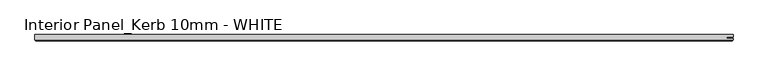
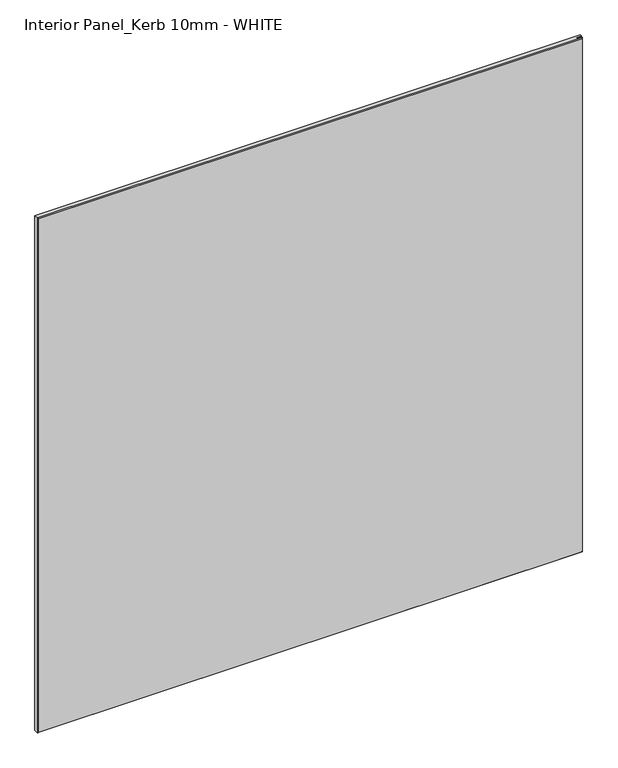
"""IFC4 building model written with IfcOpenShell, lengths in millimetres: proxy geometry, Interior Panel_Kerb 10mm - WHITE."""

from ifc_helpers import new_model, si_unit, origin, place, context, project, spatial, faceted_brep, source, transform, mapped, element, save


def interior_panel_kerb_10mm_white_acb78cb8(model_context):
    return source(origin(), model_context, "Body", "Brep", [
        faceted_brep([(993.775, 3.175, 1063.625), (-73.025, 3.175, 1063.625), (-73.025, -4.7625, 1063.625), (993.775, -4.7625, 1063.625), (993.775, -2.6543, 1063.625), (983.9523437, -2.6543, 1063.625), (983.9523437, -0.5207, 1063.625), (993.775, -0.5207, 1063.625), (993.775, 3.175, 0.0), (993.775, -0.5207, 0.0), (983.9523437, -0.5207, 0.0), (983.9523437, -2.6543, 0.0), (993.775, -2.6543, 0.0), (993.775, -4.7625, 0.0), (-73.025, -4.7625, 0.0), (-73.025, 3.175, 0.0), (-71.4375, -6.35, 1062.0375), (-71.4375, -6.35, 1.5875), (992.1875, -6.35, 1.5875), (992.1875, -6.35, 1062.0375)], [[[0, 1, 2, 3, 4, 5, 6, 7]], [[8, 9, 10, 11, 12, 13, 14, 15]], [[1, 0, 8, 15]], [[2, 1, 15, 14]], [[16, 17, 18, 19]], [[4, 3, 13, 12]], [[2, 14, 17, 16]], [[13, 3, 19, 18]], [[3, 2, 16, 19]], [[14, 13, 18, 17]], [[5, 4, 12, 11]], [[6, 5, 11, 10]], [[7, 6, 10, 9]], [[0, 7, 9, 8]]]),
    ])


if __name__ == "__main__":
    model = new_model("IFC4")
    model_context = context("Model", 3, world=origin())
    ifc_project = project(units=[si_unit("LENGTHUNIT", "METRE", prefix="MILLI")], contexts=[model_context])
    site = spatial("IfcSite", under=ifc_project)
    building = spatial("IfcBuilding", under=site)
    placement = place(None, origin())
    interior_panel_kerb_10mm_white_shape = interior_panel_kerb_10mm_white_acb78cb8(model_context)
    element("IfcBuildingElementProxy", 1, Name="Interior Panel_Kerb 10mm - WHITE", ObjectType="Interior Panel_Kerb 10mm - WHITE", at=placement, inside=building, context=model_context, shape_type="MappedRepresentation", body=[
        mapped(interior_panel_kerb_10mm_white_shape, transform((0.0, 0.0, 0.0), x_axis=(1.0, 0.0, 0.0), y_axis=(0.0, 1.0, 0.0), z_axis=(0.0, 0.0, 1.0))),
    ])
    save(model, "model.ifc")
